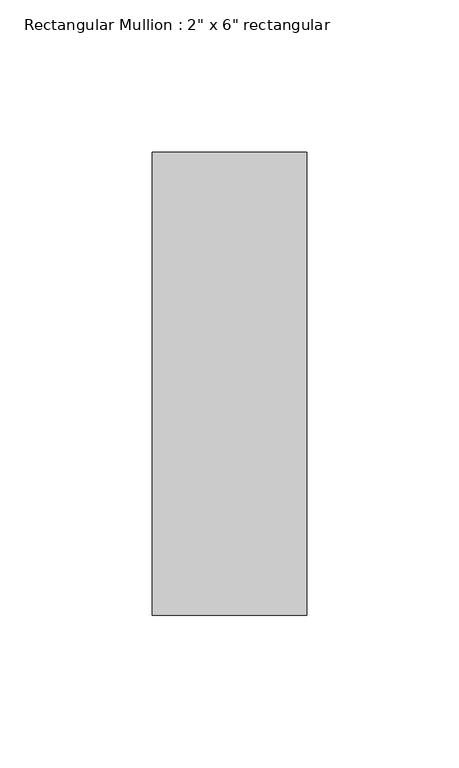
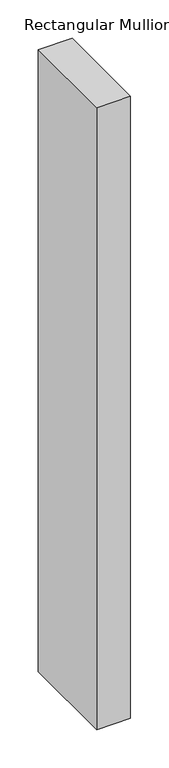
"""IFC4 building model written with IfcOpenShell, lengths in millimetres: member geometry."""

from ifc_helpers import new_model, si_unit, frame, origin, place, context, project, spatial, polyline, outline, extrude, source, transform, mapped, element, save


def member_4c654fec(model_context):
    return source(origin(), model_context, "Body", "SweptSolid", [
        extrude(outline(polyline([(0.0, 76.2), (0.0, -76.2), (-50.8, -76.2), (-50.8, 76.2), (0.0, 76.2)])), frame((0.0, 0.0, -990.6), z_axis=(0.0, 0.0, 1.0), x_axis=(1.0, 0.0, 0.0)), (0.0, 0.0, 1.0), 990.6),
    ])


if __name__ == "__main__":
    model = new_model("IFC4")
    model_context = context("Model", 3, world=origin())
    ifc_project = project(units=[si_unit("LENGTHUNIT", "METRE", prefix="MILLI")], contexts=[model_context])
    site = spatial("IfcSite", under=ifc_project)
    building = spatial("IfcBuilding", under=site)
    placement = place(None, origin())
    member_shape = member_4c654fec(model_context)
    element("IfcMember", 1, ObjectType="Rectangular Mullion : 2\" x 6\" rectangular", at=placement, inside=building, context=model_context, shape_type="MappedRepresentation", body=[
        mapped(member_shape, transform((0.0, 0.0, 0.0), x_axis=(1.0, 0.0, 0.0), y_axis=(0.0, 1.0, 0.0), z_axis=(0.0, 0.0, 1.0))),
    ])
    save(model, "model.ifc")
